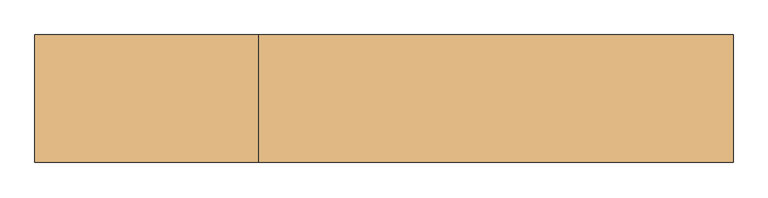
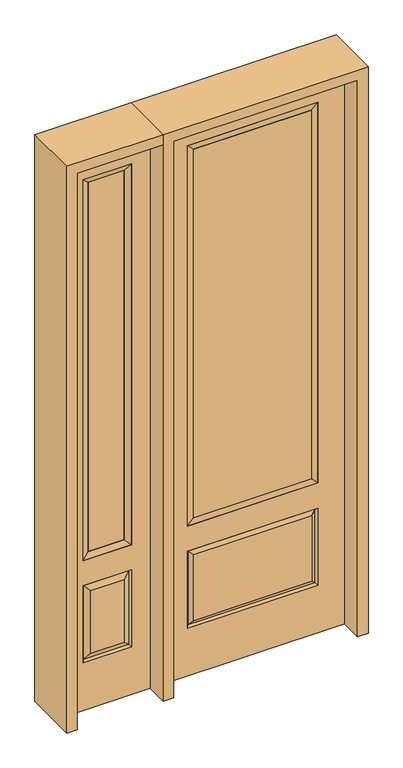
"""IFC4 building model written with IfcOpenShell, lengths in millimetres: door geometry."""

from ifc_helpers import new_model, si_unit, frame, origin, place, context, project, spatial, polyline, outline, extrude, faceted_brep, source, transform, mapped, element, save


def door_5dbcae43(model_context):
    return source(origin(), model_context, "Body", "SolidModel", [
        faceted_brep([(-781.05, -22.225, 0.0), (-425.45, -22.225, 0.0), (-425.45, -22.225, 2438.4), (-781.05, -22.225, 2438.4), (-502.92, -22.225, 2325.624), (-502.92, -22.225, 657.098), (-703.58, -22.225, 657.098), (-703.58, -22.225, 2325.624), (-502.92, -22.225, 209.55), (-703.58, -22.225, 209.55), (-703.58, -22.225, 546.1), (-502.92, -22.225, 546.1), (-671.8648999, -22.225, 241.2651001), (-534.6351001, -22.225, 241.2651001), (-534.6351001, -22.225, 514.3848999), (-671.8648999, -22.225, 514.3848999), (-781.05, 22.225, 0.0), (-781.05, 22.225, 2438.4), (-425.45, 22.225, 2438.4), (-425.45, 22.225, 0.0), (-502.92, 22.225, 2325.624), (-703.58, 22.225, 2325.624), (-703.58, 22.225, 657.098), (-502.92, 22.225, 657.098), (-703.58, 22.225, 209.55), (-502.92, 22.225, 209.55), (-502.92, 22.225, 546.1), (-703.58, 22.225, 546.1), (-534.6351001, 22.225, 241.2651001), (-671.8648999, 22.225, 241.2651001), (-671.8648999, 22.225, 514.3848999), (-534.6351001, 22.225, 514.3848999), (-510.0288501, 12.7912373, 216.6588501), (-696.4711499, 12.7912373, 216.6588501), (-696.4711499, 12.7912373, 538.9911499), (-510.0288501, 12.7912373, 538.9911499), (-696.4711499, -12.7912373, 216.6588501), (-510.0288501, -12.7912373, 216.6588501), (-696.4711499, -12.7912373, 538.9911499), (-510.0288501, -12.7912373, 538.9911499)], [[[0, 1, 2, 3], [4, 5, 6, 7], [8, 9, 10, 11]], [[12, 13, 14, 15]], [[16, 17, 18, 19], [20, 21, 22, 23], [24, 25, 26, 27]], [[28, 29, 30, 31]], [[1, 0, 16, 19]], [[2, 1, 19, 18]], [[3, 2, 18, 17]], [[0, 3, 17, 16]], [[5, 4, 20, 23]], [[6, 5, 23, 22]], [[7, 6, 22, 21]], [[4, 7, 21, 20]], [[32, 33, 29, 28]], [[33, 32, 25, 24]], [[29, 33, 34, 30]], [[33, 24, 27, 34]], [[30, 34, 35, 31]], [[34, 27, 26, 35]], [[32, 28, 31, 35]], [[25, 32, 35, 26]], [[12, 36, 37, 13]], [[37, 36, 9, 8]], [[36, 12, 15, 38]], [[9, 36, 38, 10]], [[38, 15, 14, 39]], [[10, 38, 39, 11]], [[13, 37, 39, 14]], [[37, 8, 11, 39]]]),
        faceted_brep([(-703.58, 22.225, 2325.624), (-703.58, -22.225, 2325.624), (-502.92, -22.225, 2325.624), (-502.92, 22.225, 2325.624), (-678.18, 12.7, 2300.224), (-528.32, 12.7, 2300.224), (-678.18, -12.7, 2300.224), (-528.32, -12.7, 2300.224), (-502.92, -22.225, 657.098), (-502.92, 22.225, 657.098), (-528.32, 12.7, 682.498), (-528.32, -12.7, 682.498), (-703.58, -22.225, 657.098), (-703.58, 22.225, 657.098), (-678.18, 12.7, 682.498), (-678.18, -12.7, 682.498)], [[[0, 1, 2, 3]], [[4, 0, 3, 5]], [[6, 4, 5, 7]], [[1, 6, 7, 2]], [[3, 2, 8, 9]], [[5, 3, 9, 10]], [[7, 5, 10, 11]], [[2, 7, 11, 8]], [[9, 8, 12, 13]], [[10, 9, 13, 14]], [[11, 10, 14, 15]], [[8, 11, 15, 12]], [[13, 12, 1, 0]], [[14, 13, 0, 4]], [[15, 14, 4, 6]], [[12, 15, 6, 1]]]),
        extrude(outline(polyline([(-528.32, -12.7), (-678.18, -12.7), (-678.18, 12.7), (-528.32, 12.7), (-528.32, -12.7)])), frame((0.0, 0.0, 682.498), z_axis=(0.0, 0.0, 1.0), x_axis=(1.0, 0.0, 0.0)), (0.0, 0.0, 1.0), 1617.726),
        extrude(outline(polyline([(244.475, -20.32), (-244.475, -20.32), (-244.475, 5.08), (244.475, 5.08), (244.475, -20.32)])), frame((0.0, 0.0, 682.498), z_axis=(0.0, 0.0, 1.0), x_axis=(1.0, 0.0, 0.0)), (0.0, 0.0, 1.0), 1616.202),
        faceted_brep([(-262.7661499, -12.7912373, 216.6588501), (262.7661499, -12.7912373, 216.6588501), (245.26875, -22.225, 234.15625), (-245.26875, -22.225, 234.15625), (-269.875, -22.225, 209.55), (269.875, -22.225, 209.55), (-262.7661499, -12.7912373, 538.9911499), (-269.875, -22.225, 546.1), (245.26875, -22.225, 521.49375), (-245.26875, -22.225, 521.49375), (381.0, -22.225, 2438.4), (-381.0, -22.225, 2438.4), (-381.0, -22.225, 0.0), (381.0, -22.225, 0.0), (269.875, -22.225, 546.1), (269.875, -22.225, 2324.1), (269.875, -22.225, 657.098), (-269.875, -22.225, 657.098), (-269.875, -22.225, 2324.1), (262.7661499, -12.7912373, 538.9911499), (-381.0, 22.225, 2438.4), (-381.0, 22.225, 0.0), (381.0, 22.225, 0.0), (381.0, 22.225, 2438.4), (269.875, 22.225, 2324.1), (269.875, 22.225, 657.098), (-269.875, 22.225, 657.098), (-269.875, 22.225, 2324.1), (-269.875, 22.225, 209.55), (269.875, 22.225, 209.55), (269.875, 22.225, 546.1), (-269.875, 22.225, 546.1), (245.26875, 22.225, 234.15625), (-245.26875, 22.225, 234.15625), (-245.26875, 22.225, 521.49375), (245.26875, 22.225, 521.49375), (-262.7661499, 12.7912373, 216.6588501), (262.7661499, 12.7912373, 216.6588501), (262.7661499, 12.7912373, 538.9911499), (-262.7661499, 12.7912373, 538.9911499)], [[[0, 1, 2, 3]], [[1, 0, 4, 5]], [[4, 0, 6, 7]], [[3, 2, 8, 9]], [[10, 11, 12, 13], [5, 4, 7, 14], [15, 16, 17, 18]], [[1, 5, 14, 19]], [[2, 1, 19, 8]], [[0, 3, 9, 6]], [[7, 6, 19, 14]], [[6, 9, 8, 19]], [[12, 11, 20, 21]], [[13, 12, 21, 22]], [[10, 13, 22, 23]], [[16, 15, 24, 25]], [[17, 16, 25, 26]], [[18, 17, 26, 27]], [[23, 22, 21, 20], [28, 29, 30, 31], [24, 27, 26, 25]], [[32, 33, 34, 35]], [[28, 36, 37, 29]], [[29, 37, 38, 30]], [[39, 31, 30, 38]], [[36, 28, 31, 39]], [[37, 36, 33, 32]], [[33, 36, 39, 34]], [[34, 39, 38, 35]], [[37, 32, 35, 38]], [[11, 10, 23, 20]], [[15, 18, 27, 24]]]),
        faceted_brep([(-269.875, -22.225, 2324.1), (-269.875, 22.225, 2324.1), (-269.875, 22.225, 657.098), (-269.875, -22.225, 657.098), (269.875, 22.225, 657.098), (269.875, -22.225, 657.098), (-244.475, 5.08, 682.498), (244.475, 5.08, 682.498), (269.875, 22.225, 2324.1), (269.875, -22.225, 2324.1), (-244.475, -20.32, 682.498), (244.475, -20.32, 682.498), (-244.475, -20.32, 2298.7), (244.475, -20.32, 2298.7), (-244.475, 5.08, 2298.7), (244.475, 5.08, 2298.7)], [[[0, 1, 2, 3]], [[3, 2, 4, 5]], [[2, 6, 7, 4]], [[5, 4, 8, 9]], [[10, 3, 5, 11]], [[12, 0, 3, 10]], [[11, 5, 9, 13]], [[6, 10, 11, 7]], [[14, 12, 10, 6]], [[7, 11, 13, 15]], [[1, 14, 6, 2]], [[4, 7, 15, 8]], [[9, 8, 1, 0]], [[13, 9, 0, 12]], [[15, 13, 12, 14]], [[8, 15, 14, 1]]]),
        extrude(outline(polyline([(2438.4, -425.45), (2482.85, -425.45), (2482.85, -825.5), (0.0, -825.5), (0.0, -781.05), (2438.4, -781.05), (2438.4, -425.45)])), frame((0.0, -114.3, 0.0), z_axis=(0.0, 1.0, 0.0), x_axis=(0.0, 0.0, 1.0)), (0.0, 0.0, 1.0), 228.6),
        extrude(outline(polyline([(2482.85, -425.45), (0.0, -425.45), (0.0, -381.0), (2438.4, -381.0), (2438.4, 381.0), (0.0, 381.0), (0.0, 425.45), (2482.85, 425.45), (2482.85, -425.45)])), frame((0.0, -114.3, 0.0), z_axis=(0.0, 1.0, 0.0), x_axis=(0.0, 0.0, 1.0)), (0.0, 0.0, 1.0), 228.6),
    ])


if __name__ == "__main__":
    model = new_model("IFC4")
    model_context = context("Model", 3, world=origin())
    ifc_project = project(units=[si_unit("LENGTHUNIT", "METRE", prefix="MILLI")], contexts=[model_context])
    site = spatial("IfcSite", under=ifc_project)
    building = spatial("IfcBuilding", under=site)
    placement = place(None, origin())
    door_shape = door_5dbcae43(model_context)
    element("IfcDoor", 1, at=placement, inside=building, context=model_context, shape_type="MappedRepresentation", body=[
        mapped(door_shape, transform((0.0, 0.0, 0.0), x_axis=(1.0, 0.0, 0.0), y_axis=(0.0, 1.0, 0.0), z_axis=(0.0, 0.0, 1.0))),
    ])
    save(model, "model.ifc")
